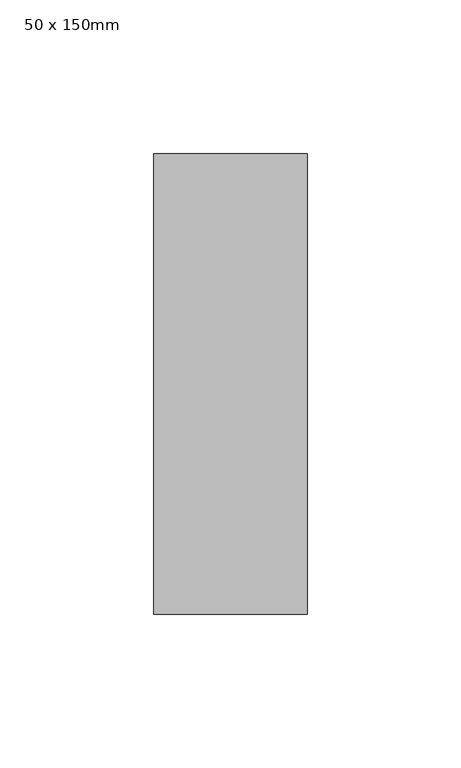
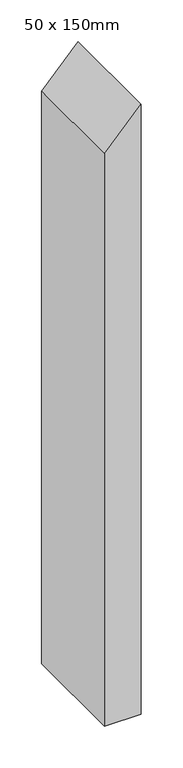
"""IFC4 building model written with IfcOpenShell, lengths in millimetres: member geometry, 50 x 150mm."""

from ifc_helpers import new_model, si_unit, frame, origin, place, context, project, spatial, polyline, outline, extrude, source, transform, mapped, element, save


def member_50_x_150mm_67dd60ac(model_context):
    return source(origin(), model_context, "Body", "SweptSolid", [
        extrude(outline(polyline([(0.0, 0.0), (-54.0431766, -50.0), (-886.9519641, -50.0), (-886.9519641, 0.0), (0.0, 0.0)])), frame((0.0, -75.0, 0.0), z_axis=(0.0, 1.0, 0.0), x_axis=(0.0, 0.0, 1.0)), (0.0, 0.0, 1.0), 150.0),
    ])


if __name__ == "__main__":
    model = new_model("IFC4")
    model_context = context("Model", 3, world=origin())
    ifc_project = project(units=[si_unit("LENGTHUNIT", "METRE", prefix="MILLI")], contexts=[model_context])
    site = spatial("IfcSite", under=ifc_project)
    building = spatial("IfcBuilding", under=site)
    placement = place(None, origin())
    member_50_x_150mm_shape = member_50_x_150mm_67dd60ac(model_context)
    element("IfcMember", 1, ObjectType="50 x 150mm", at=placement, inside=building, context=model_context, shape_type="MappedRepresentation", body=[
        mapped(member_50_x_150mm_shape, transform((0.0, 0.0, 0.0), x_axis=(1.0, 0.0, 0.0), y_axis=(0.0, 1.0, 0.0), z_axis=(0.0, 0.0, 1.0))),
    ])
    save(model, "model.ifc")
